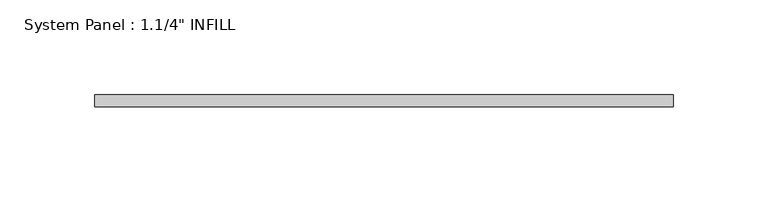
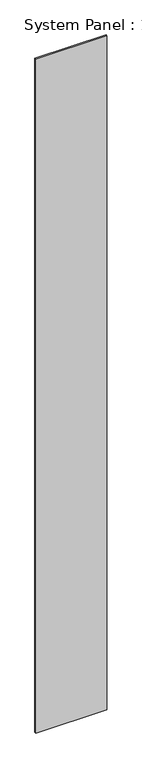
"""IFC4 building model written with IfcOpenShell, lengths in millimetres: plate geometry."""

from ifc_helpers import new_model, si_unit, origin, origin_with_axes, place, context, project, spatial, polyline, outline, extrude, source, transform, mapped, element, save


def plate_47136f18(model_context):
    return source(origin(), model_context, "Body", "SweptSolid", [
        extrude(outline(polyline([(152.4, 0.0992187), (-152.4, 0.0992187), (-152.4, 6.4492187), (152.4, 6.4492187), (152.4, 0.0992187)])), origin_with_axes(), (0.0, 0.0, 1.0), 3048.0),
    ])


if __name__ == "__main__":
    model = new_model("IFC4")
    model_context = context("Model", 3, world=origin())
    ifc_project = project(units=[si_unit("LENGTHUNIT", "METRE", prefix="MILLI")], contexts=[model_context])
    site = spatial("IfcSite", under=ifc_project)
    building = spatial("IfcBuilding", under=site)
    placement = place(None, origin())
    plate_shape = plate_47136f18(model_context)
    element("IfcPlate", 1, ObjectType="System Panel : 1.1/4\" INFILL", at=placement, inside=building, context=model_context, shape_type="MappedRepresentation", body=[
        mapped(plate_shape, transform((0.0, 0.0, 0.0), x_axis=(1.0, 0.0, 0.0), y_axis=(0.0, 1.0, 0.0), z_axis=(0.0, 0.0, 1.0))),
    ])
    save(model, "model.ifc")
